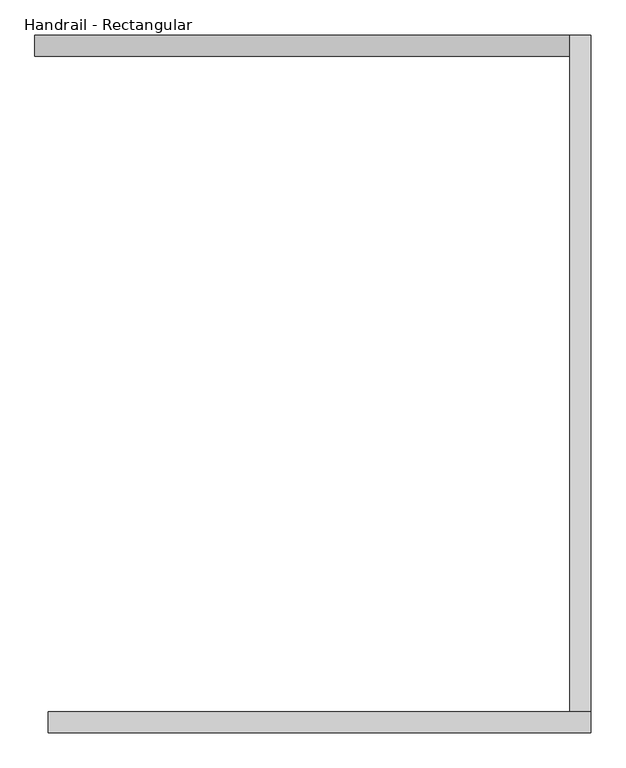
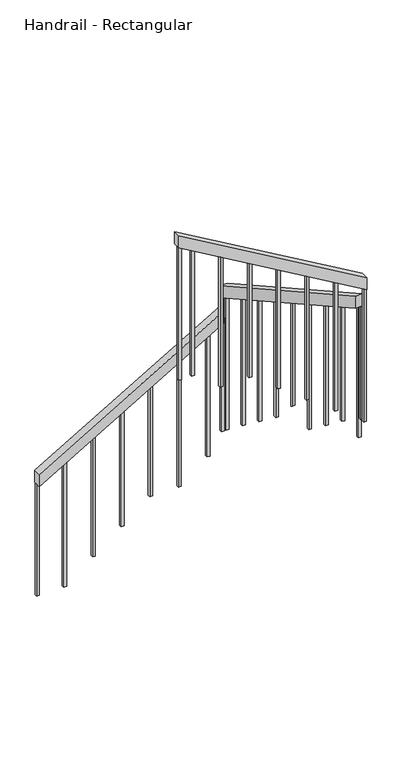
"""IFC4 building model written with IfcOpenShell, lengths in millimetres: railing geometry, Handrail - Rectangular."""

from ifc_helpers import new_model, si_unit, frame, origin, place, context, project, spatial, polyline, outline, extrude, source, transform, mapped, element, save


def handrail_rectangular_72b971f6(model_context):
    return source(origin(), model_context, "Body", "SweptSolid", [
        extrude(outline(polyline([(1216.5052632, 1234.6563517), (1128.2234052, 1234.6563517), (1883.9233039, 2526.4063517), (1972.2051619, 2526.4063517), (1216.5052632, 1234.6563517)])), frame((0.0, 3407.8830185, 0.0), z_axis=(0.0, 1.0, 0.0), x_axis=(0.0, 0.0, 1.0)), (0.0, 0.0, 1.0), 50.8),
        extrude(outline(polyline([(3458.6830185, 2123.0924691), (3458.6830185, 2035.7703285), (1825.4558469, 2949.8290511), (1825.4558469, 3037.1511917), (3458.6830185, 2123.0924691)])), frame((2526.4063517, 0.0, 0.0), z_axis=(1.0, 0.0, 0.0), x_axis=(0.0, 1.0, 0.0)), (0.0, 0.0, 1.0), 50.8),
        extrude(outline(polyline([(3099.2736076, 2577.2063517), (3187.5554656, 2577.2063517), (3954.4, 1266.4063517), (3866.118142, 1266.4063517), (3099.2736076, 2577.2063517)])), frame((0.0, 1774.6558469, 0.0), z_axis=(0.0, 1.0, 0.0), x_axis=(0.0, 0.0, 1.0)), (0.0, 0.0, 1.0), 50.8),
        extrude(outline(polyline([(3802.0437999, 1375.9313517), (3813.1884355, 1356.8813517), (2887.8947368, 1356.8813517), (2887.8947368, 1375.9313517), (3802.0437999, 1375.9313517)])), frame((0.0, 1775.9308469, 0.0), z_axis=(0.0, 1.0, 0.0), x_axis=(0.0, 0.0, 1.0)), (0.0, 0.0, 1.0), 19.05),
        extrude(outline(polyline([(3685.0397513, 1575.9313517), (3696.1843869, 1556.8813517), (2735.7894737, 1556.8813517), (2735.7894737, 1575.9313517), (3685.0397513, 1575.9313517)])), frame((0.0, 1775.9308469, 0.0), z_axis=(0.0, 1.0, 0.0), x_axis=(0.0, 0.0, 1.0)), (0.0, 0.0, 1.0), 19.05),
        extrude(outline(polyline([(3568.0357027, 1775.9313517), (3579.1803384, 1756.8813517), (2735.7894737, 1756.8813517), (2735.7894737, 1775.9313517), (3568.0357027, 1775.9313517)])), frame((0.0, 1775.9308469, 0.0), z_axis=(0.0, 1.0, 0.0), x_axis=(0.0, 0.0, 1.0)), (0.0, 0.0, 1.0), 19.05),
        extrude(outline(polyline([(3451.0316541, 1975.9313517), (3462.1762898, 1956.8813517), (2583.6842105, 1956.8813517), (2583.6842105, 1975.9313517), (3451.0316541, 1975.9313517)])), frame((0.0, 1775.9308469, 0.0), z_axis=(0.0, 1.0, 0.0), x_axis=(0.0, 0.0, 1.0)), (0.0, 0.0, 1.0), 19.05),
        extrude(outline(polyline([(3334.0276056, 2175.9313517), (3345.1722412, 2156.8813517), (2431.5789474, 2156.8813517), (2431.5789474, 2175.9313517), (3334.0276056, 2175.9313517)])), frame((0.0, 1775.9308469, 0.0), z_axis=(0.0, 1.0, 0.0), x_axis=(0.0, 0.0, 1.0)), (0.0, 0.0, 1.0), 19.05),
        extrude(outline(polyline([(3217.023557, 2375.9313517), (3228.1681926, 2356.8813517), (2279.4736842, 2356.8813517), (2279.4736842, 2375.9313517), (3217.023557, 2375.9313517)])), frame((0.0, 1775.9308469, 0.0), z_axis=(0.0, 1.0, 0.0), x_axis=(0.0, 0.0, 1.0)), (0.0, 0.0, 1.0), 19.05),
        extrude(outline(polyline([(1838.3580185, 2942.608168), (1857.4080185, 2931.9465656), (1857.4080185, 1975.2631579), (1838.3580185, 1975.2631579), (1838.3580185, 2942.608168)])), frame((2556.8813517, 0.0, 0.0), z_axis=(1.0, 0.0, 0.0), x_axis=(0.0, 1.0, 0.0)), (0.0, 0.0, 1.0), 19.05),
        extrude(outline(polyline([(2038.3580185, 2830.6753348), (2057.4080185, 2820.0137324), (2057.4080185, 1975.2631579), (2038.3580185, 1975.2631579), (2038.3580185, 2830.6753348)])), frame((2556.8813517, 0.0, 0.0), z_axis=(1.0, 0.0, 0.0), x_axis=(0.0, 1.0, 0.0)), (0.0, 0.0, 1.0), 19.05),
        extrude(outline(polyline([(2238.3580185, 2718.7425016), (2257.4080185, 2708.0808993), (2257.4080185, 1823.1578947), (2238.3580185, 1823.1578947), (2238.3580185, 2718.7425016)])), frame((2556.8813517, 0.0, 0.0), z_axis=(1.0, 0.0, 0.0), x_axis=(0.0, 1.0, 0.0)), (0.0, 0.0, 1.0), 19.05),
        extrude(outline(polyline([(2438.3580185, 2606.8096685), (2457.4080185, 2596.1480661), (2457.4080185, 1671.0526316), (2438.3580185, 1671.0526316), (2438.3580185, 2606.8096685)])), frame((2556.8813517, 0.0, 0.0), z_axis=(1.0, 0.0, 0.0), x_axis=(0.0, 1.0, 0.0)), (0.0, 0.0, 1.0), 19.05),
        extrude(outline(polyline([(2638.3580185, 2494.8768353), (2657.4080185, 2484.215233), (2657.4080185, 1712.982885), (2638.3580185, 1723.6444874), (2638.3580185, 2494.8768353)])), frame((2556.8813517, 0.0, 0.0), z_axis=(1.0, 0.0, 0.0), x_axis=(0.0, 1.0, 0.0)), (0.0, 0.0, 1.0), 19.05),
        extrude(outline(polyline([(2838.3580185, 2382.9440022), (2857.4080185, 2372.2823998), (2857.4080185, 1518.9473684), (2838.3580185, 1518.9473684), (2838.3580185, 2382.9440022)])), frame((2556.8813517, 0.0, 0.0), z_axis=(1.0, 0.0, 0.0), x_axis=(0.0, 1.0, 0.0)), (0.0, 0.0, 1.0), 19.05),
        extrude(outline(polyline([(3038.3580185, 2271.011169), (3057.4080185, 2260.3495667), (3057.4080185, 1366.8421053), (3038.3580185, 1366.8421053), (3038.3580185, 2271.011169)])), frame((2556.8813517, 0.0, 0.0), z_axis=(1.0, 0.0, 0.0), x_axis=(0.0, 1.0, 0.0)), (0.0, 0.0, 1.0), 19.05),
        extrude(outline(polyline([(3238.3580185, 2159.0783359), (3257.4080185, 2148.4167335), (3257.4080185, 1214.7368421), (3238.3580185, 1214.7368421), (3238.3580185, 2159.0783359)])), frame((2556.8813517, 0.0, 0.0), z_axis=(1.0, 0.0, 0.0), x_axis=(0.0, 1.0, 0.0)), (0.0, 0.0, 1.0), 19.05),
        extrude(outline(polyline([(1835.8200145, 2444.1813517), (1824.6753788, 2425.1313517), (910.5263158, 2425.1313517), (910.5263158, 2444.1813517), (1835.8200145, 2444.1813517)])), frame((0.0, 3438.3580185, 0.0), z_axis=(0.0, 1.0, 0.0), x_axis=(0.0, 0.0, 1.0)), (0.0, 0.0, 1.0), 19.05),
        extrude(outline(polyline([(1718.8159659, 2244.1813517), (1707.6713303, 2225.1313517), (758.4210526, 2225.1313517), (758.4210526, 2244.1813517), (1718.8159659, 2244.1813517)])), frame((0.0, 3438.3580185, 0.0), z_axis=(0.0, 1.0, 0.0), x_axis=(0.0, 0.0, 1.0)), (0.0, 0.0, 1.0), 19.05),
        extrude(outline(polyline([(1601.8119173, 2044.1813517), (1590.6672817, 2025.1313517), (758.4210526, 2025.1313517), (758.4210526, 2044.1813517), (1601.8119173, 2044.1813517)])), frame((0.0, 3438.3580185, 0.0), z_axis=(0.0, 1.0, 0.0), x_axis=(0.0, 0.0, 1.0)), (0.0, 0.0, 1.0), 19.05),
        extrude(outline(polyline([(1484.8078687, 1844.1813517), (1473.6632331, 1825.1313517), (606.3157895, 1825.1313517), (606.3157895, 1844.1813517), (1484.8078687, 1844.1813517)])), frame((0.0, 3438.3580185, 0.0), z_axis=(0.0, 1.0, 0.0), x_axis=(0.0, 0.0, 1.0)), (0.0, 0.0, 1.0), 19.05),
        extrude(outline(polyline([(1367.8038201, 1644.1813517), (1356.6591845, 1625.1313517), (454.2105263, 1625.1313517), (454.2105263, 1644.1813517), (1367.8038201, 1644.1813517)])), frame((0.0, 3438.3580185, 0.0), z_axis=(0.0, 1.0, 0.0), x_axis=(0.0, 0.0, 1.0)), (0.0, 0.0, 1.0), 19.05),
        extrude(outline(polyline([(1250.7997716, 1444.1813517), (1239.6551359, 1425.1313517), (302.1052632, 1425.1313517), (302.1052632, 1444.1813517), (1250.7997716, 1444.1813517)])), frame((0.0, 3438.3580185, 0.0), z_axis=(0.0, 1.0, 0.0), x_axis=(0.0, 0.0, 1.0)), (0.0, 0.0, 1.0), 19.05),
        extrude(outline(polyline([(3100.0195084, 2575.9313517), (3111.164144, 2556.8813517), (2127.3684211, 2556.8813517), (2127.3684211, 2575.9313517), (3100.0195084, 2575.9313517)])), frame((0.0, 1775.9308469, 0.0), z_axis=(0.0, 1.0, 0.0), x_axis=(0.0, 0.0, 1.0)), (0.0, 0.0, 1.0), 19.05),
        extrude(outline(polyline([(1807.6808469, 2959.7770816), (1826.7308469, 2949.1154793), (1826.7308469, 2127.3684211), (1807.6808469, 2127.3684211), (1807.6808469, 2959.7770816)])), frame((2556.8813517, 0.0, 0.0), z_axis=(1.0, 0.0, 0.0), x_axis=(0.0, 1.0, 0.0)), (0.0, 0.0, 1.0), 19.05),
        extrude(outline(polyline([(3438.3580185, 2047.1455027), (3457.4080185, 2036.4839003), (3457.4080185, 1062.6315789), (3438.3580185, 1062.6315789), (3438.3580185, 2047.1455027)])), frame((2556.8813517, 0.0, 0.0), z_axis=(1.0, 0.0, 0.0), x_axis=(0.0, 1.0, 0.0)), (0.0, 0.0, 1.0), 19.05),
        extrude(outline(polyline([(1894.3220388, 2544.1813517), (1883.1774031, 2525.1313517), (1062.6315789, 2525.1313517), (1062.6315789, 2544.1813517), (1894.3220388, 2544.1813517)])), frame((0.0, 3438.3580185, 0.0), z_axis=(0.0, 1.0, 0.0), x_axis=(0.0, 0.0, 1.0)), (0.0, 0.0, 1.0), 19.05),
        extrude(outline(polyline([(3854.9735064, 1285.4313517), (3866.118142, 1266.3813517), (2887.8947368, 1266.3813517), (2887.8947368, 1285.4313517), (3854.9735064, 1285.4313517)])), frame((0.0, 1775.9308469, 0.0), z_axis=(0.0, 1.0, 0.0), x_axis=(0.0, 0.0, 1.0)), (0.0, 0.0, 1.0), 19.05),
        extrude(outline(polyline([(1139.3680408, 1253.6813517), (1128.2234052, 1234.6313517), (302.1052632, 1234.6313517), (302.1052632, 1253.6813517), (1139.3680408, 1253.6813517)])), frame((0.0, 3438.3580185, 0.0), z_axis=(0.0, 1.0, 0.0), x_axis=(0.0, 0.0, 1.0)), (0.0, 0.0, 1.0), 19.05),
    ])


if __name__ == "__main__":
    model = new_model("IFC4")
    model_context = context("Model", 3, world=origin())
    ifc_project = project(units=[si_unit("LENGTHUNIT", "METRE", prefix="MILLI")], contexts=[model_context])
    site = spatial("IfcSite", under=ifc_project)
    building = spatial("IfcBuilding", under=site)
    placement = place(None, origin())
    handrail_rectangular_shape = handrail_rectangular_72b971f6(model_context)
    element("IfcRailing", 1, ObjectType="Handrail - Rectangular", at=placement, inside=building, context=model_context, shape_type="MappedRepresentation", body=[
        mapped(handrail_rectangular_shape, transform((0.0, 0.0, 0.0), x_axis=(1.0, 0.0, 0.0), y_axis=(0.0, 1.0, 0.0), z_axis=(0.0, 0.0, 1.0))),
    ])
    save(model, "model.ifc")
